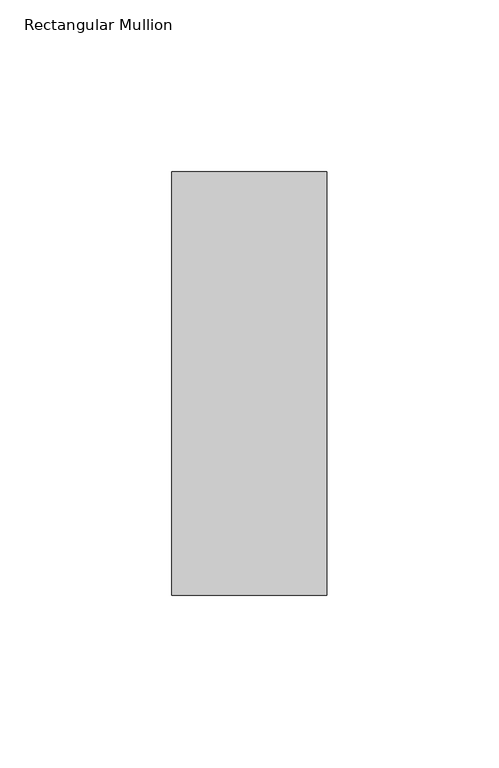
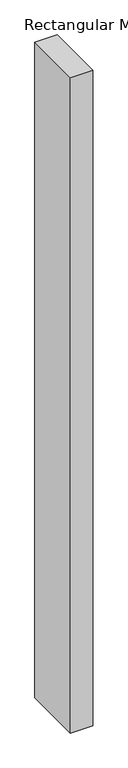
"""IFC4 building model written with IfcOpenShell, lengths in millimetres: member geometry, Rectangular Mullion."""

from ifc_helpers import new_model, si_unit, frame, origin, place, context, project, spatial, polyline, outline, extrude, source, transform, mapped, element, save


def rectangular_mullion_c86fd334(model_context):
    return source(origin(), model_context, "Body", "SweptSolid", [
        extrude(outline(polyline([(-45.0, 77.05), (0.0, 77.05), (0.0, -46.05), (-45.0, -46.05), (-45.0, 77.05)])), frame((0.0, 0.0, -1387.9128906), z_axis=(0.0, 0.0, 1.0), x_axis=(1.0, 0.0, 0.0)), (0.0, 0.0, 1.0), 1387.9128906),
    ])


if __name__ == "__main__":
    model = new_model("IFC4")
    model_context = context("Model", 3, world=origin())
    ifc_project = project(units=[si_unit("LENGTHUNIT", "METRE", prefix="MILLI")], contexts=[model_context])
    site = spatial("IfcSite", under=ifc_project)
    building = spatial("IfcBuilding", under=site)
    placement = place(None, origin())
    rectangular_mullion_shape = rectangular_mullion_c86fd334(model_context)
    element("IfcMember", 1, ObjectType="Rectangular Mullion", at=placement, inside=building, context=model_context, shape_type="MappedRepresentation", body=[
        mapped(rectangular_mullion_shape, transform((0.0, 0.0, 0.0), x_axis=(1.0, 0.0, 0.0), y_axis=(0.0, 1.0, 0.0), z_axis=(0.0, 0.0, 1.0))),
    ])
    save(model, "model.ifc")
